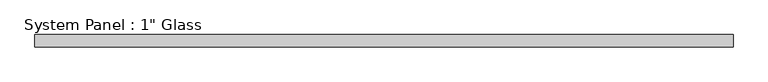
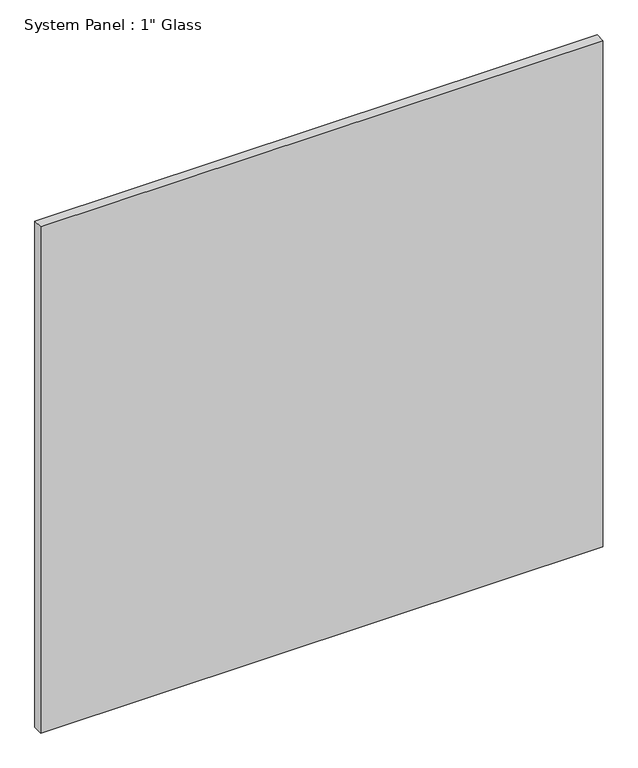
"""IFC4 building model written with IfcOpenShell, lengths in millimetres: plate geometry."""

from ifc_helpers import new_model, si_unit, origin, origin_with_axes, place, context, project, spatial, polyline, outline, extrude, source, transform, mapped, element, save


def plate_84efa00e(model_context):
    return source(origin(), model_context, "Body", "SweptSolid", [
        extrude(outline(polyline([(729.2430865, -12.7), (-729.2430865, -12.7), (-729.2430865, 12.7), (729.2430865, 12.7), (729.2430865, -12.7)])), origin_with_axes(), (0.0, 0.0, 1.0), 1388.8591382),
    ])


if __name__ == "__main__":
    model = new_model("IFC4")
    model_context = context("Model", 3, world=origin())
    ifc_project = project(units=[si_unit("LENGTHUNIT", "METRE", prefix="MILLI")], contexts=[model_context])
    site = spatial("IfcSite", under=ifc_project)
    building = spatial("IfcBuilding", under=site)
    placement = place(None, origin())
    plate_shape = plate_84efa00e(model_context)
    element("IfcPlate", 1, ObjectType="System Panel : 1\" Glass", at=placement, inside=building, context=model_context, shape_type="MappedRepresentation", body=[
        mapped(plate_shape, transform((0.0, 0.0, 0.0), x_axis=(1.0, 0.0, 0.0), y_axis=(0.0, 1.0, 0.0), z_axis=(0.0, 0.0, 1.0))),
    ])
    save(model, "model.ifc")
